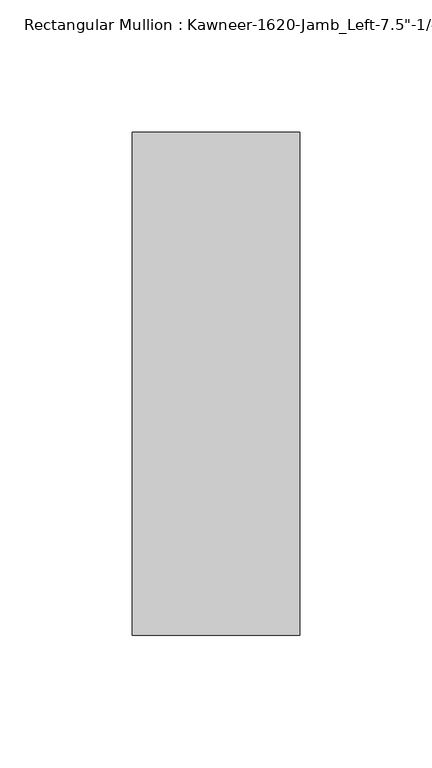
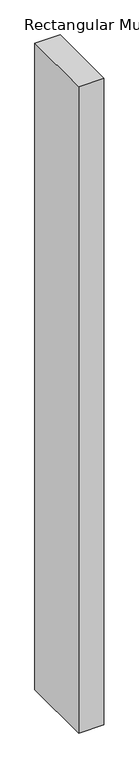
"""IFC4 building model written with IfcOpenShell, lengths in millimetres: member geometry."""

from ifc_helpers import new_model, si_unit, frame, origin, place, context, project, spatial, polyline, outline, extrude, source, transform, mapped, element, save


def member_30f2b2c1(model_context):
    return source(origin(), model_context, "Body", "SweptSolid", [
        extrude(outline(polyline([(22.225, -28.575), (-41.275, -28.575), (-41.275, 161.925), (22.225, 161.925), (22.225, -28.575)])), frame((0.0, 0.0, -1720.85), z_axis=(0.0, 0.0, 1.0), x_axis=(1.0, 0.0, 0.0)), (0.0, 0.0, 1.0), 1720.85),
    ])


if __name__ == "__main__":
    model = new_model("IFC4")
    model_context = context("Model", 3, world=origin())
    ifc_project = project(units=[si_unit("LENGTHUNIT", "METRE", prefix="MILLI")], contexts=[model_context])
    site = spatial("IfcSite", under=ifc_project)
    building = spatial("IfcBuilding", under=site)
    placement = place(None, origin())
    member_shape = member_30f2b2c1(model_context)
    element("IfcMember", 1, ObjectType="Rectangular Mullion : Kawneer-1620-Jamb_Left-7.5\"-1/4\"Infill", at=placement, inside=building, context=model_context, shape_type="MappedRepresentation", body=[
        mapped(member_shape, transform((0.0, 0.0, 0.0), x_axis=(1.0, 0.0, 0.0), y_axis=(0.0, 1.0, 0.0), z_axis=(0.0, 0.0, 1.0))),
    ])
    save(model, "model.ifc")
